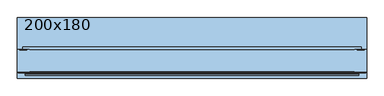
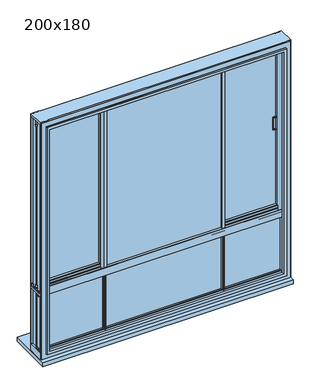
"""IFC4 building model written with IfcOpenShell, lengths in millimetres: window geometry, 200x180."""

from ifc_helpers import new_model, si_unit, frame, origin, place, context, project, spatial, polyline, outline, extrude, faceted_brep, source, transform, mapped, element, save


def window_200x180_f15a1003(model_context):
    return source(origin(), model_context, "Body", "SolidModel", [
        extrude(outline(polyline([(1871.5, 840.7), (1775.5, 840.7), (1775.5, 866.7), (1871.5, 866.7), (1871.5, 840.7)]), holes=[polyline([(1778.5, 863.7), (1778.5, 843.7), (1868.5, 843.7), (1868.5, 863.7), (1778.5, 863.7)])]), frame((0.0, -42.25, 0.0), z_axis=(0.0, 1.0, 0.0), x_axis=(0.0, 0.0, 1.0)), (0.0, 0.0, 1.0), 10.0),
        extrude(outline(polyline([(1871.5, -788.3), (1871.5, -814.3), (1775.5, -814.3), (1775.5, -788.3), (1871.5, -788.3)]), holes=[polyline([(1778.5, -811.3), (1868.5, -811.3), (1868.5, -791.3), (1778.5, -791.3), (1778.5, -811.3)])]), frame((0.0, -42.65, 0.0), z_axis=(0.0, 1.0, 0.0), x_axis=(0.0, 0.0, 1.0)), (0.0, 0.0, 1.0), 10.0),
        extrude(outline(polyline([(-396.8, -87.45), (-396.8, -96.25), (-399.8, -96.25), (-399.8, -87.45), (-408.3, -87.45), (-408.3, -81.05), (-388.3, -81.05), (-388.3, -87.45), (-396.8, -87.45)])), frame((0.0, 0.0, 729.0), z_axis=(0.0, 0.0, 1.0), x_axis=(1.0, 0.0, 0.0)), (0.0, 0.0, 1.0), 444.5),
        extrude(outline(polyline([(-408.3, -69.05), (-388.3, -69.05), (-388.3, -75.05), (-408.3, -75.05), (-408.3, -69.05)])), frame((0.0, 0.0, 729.0), z_axis=(0.0, 0.0, 1.0), x_axis=(1.0, 0.0, 0.0)), (0.0, 0.0, 1.0), 444.5),
        extrude(outline(polyline([(449.2, -87.45), (440.7, -87.45), (440.7, -81.05), (460.7, -81.05), (460.7, -87.45), (452.2, -87.45), (452.2, -96.25), (449.2, -96.25), (449.2, -87.45)])), frame((0.0, 0.0, 729.0), z_axis=(0.0, 0.0, 1.0), x_axis=(1.0, 0.0, 0.0)), (0.0, 0.0, 1.0), 444.5),
        extrude(outline(polyline([(460.7, -69.05), (460.7, -75.05), (440.7, -75.05), (440.7, -69.05), (460.7, -69.05)])), frame((0.0, 0.0, 729.0), z_axis=(0.0, 0.0, 1.0), x_axis=(1.0, 0.0, 0.0)), (0.0, 0.0, 1.0), 444.5),
        extrude(outline(polyline([(-823.7, -20.25), (-397.3, -20.25), (-397.3, -26.25), (-823.7, -26.25), (-823.7, -20.25)])), frame((0.0, 0.0, 1194.65), z_axis=(0.0, 0.0, 1.0), x_axis=(1.0, 0.0, 0.0)), (0.0, 0.0, 1.0), 1228.75),
        extrude(outline(polyline([(876.1, -20.25), (876.1, -26.25), (450.7, -26.25), (450.7, -20.25), (876.1, -20.25)])), frame((0.0, 0.0, 1194.65), z_axis=(0.0, 0.0, 1.0), x_axis=(1.0, 0.0, 0.0)), (0.0, 0.0, 1.0), 1228.75),
        extrude(outline(polyline([(450.7, -75.05), (450.7, -81.05), (-398.3, -81.05), (-398.3, -75.05), (450.7, -75.05)])), frame((0.0, 0.0, 1194.65), z_axis=(0.0, 0.0, 1.0), x_axis=(1.0, 0.0, 0.0)), (0.0, 0.0, 1.0), 1228.75),
        faceted_brep([(-389.3, -2.65, 1173.5), (-389.3, -43.85, 1173.5), (-391.3266098, -43.85, 1173.5), (-391.3266098, -53.95, 1173.5), (-400.6157826, -53.95, 1173.5), (-400.6157826, -51.5636227, 1173.5), (-396.4081362, -50.1440374, 1173.5), (-393.1031371, -50.1440374, 1173.5), (-393.1031371, -43.85, 1173.5), (-407.3, -43.85, 1173.5), (-407.3, -32.25, 1173.5), (-397.0748111, -32.25, 1173.5), (-397.0748111, -14.25, 1173.5), (-407.3, -14.25, 1173.5), (-407.3, -2.65, 1173.5), (-389.3, -2.65, 2443.9), (-407.3, -2.65, 2443.9), (-407.3, -12.6000001, 2443.9), (-844.2, -12.6000001, 2443.9), (-844.2, -33.8999999, 2443.9), (-407.3, -33.8999999, 2443.9), (-407.3, -43.85, 2443.9), (-393.1031371, -43.85, 2443.9), (-393.1031371, -50.1440374, 2443.9), (-396.4081362, -50.1440374, 2443.9), (-400.6157826, -51.5636227, 2443.9), (-400.6157826, -53.95, 2443.9), (-391.3266098, -53.95, 2443.9), (-391.3266098, -43.85, 2443.9), (-389.3, -43.85, 2443.9), (-397.0748111, -14.25, 2443.9), (-397.0748111, -32.25, 2443.9), (-398.3, -32.25, 2443.9), (-398.3, -14.25, 2443.9), (-407.3, -2.65, 1185.9300791), (-832.2, -2.65, 1185.9300791), (-832.2, -2.65, 2431.9), (-407.3, -2.65, 2431.9), (-814.3, -2.65, 2414.0), (-814.3, -2.65, 1203.8300791), (-407.3, -2.65, 1203.8300791), (-407.3, -2.65, 2414.0), (-407.3, -14.25, 1173.9300791), (-407.3, -12.6000001, 1173.9300791), (-407.3, -12.6000001, 1183.7300791), (-407.3, -6.95, 1183.7300791), (-407.3, -6.95, 1185.9300791), (-407.3, -6.95, 2431.9), (-407.3, -6.95, 2434.1), (-407.3, -12.6000001, 2434.1), (-407.3, -14.25, 1203.8300791), (-407.3, -14.25, 2414.0), (-398.3, -14.25, 2414.0), (-398.3, -14.25, 1203.8300791), (-398.3, -14.25, 1173.9300791), (-407.3, -32.25, 1173.9300791), (-398.3, -32.25, 1173.9300791), (-398.3, -32.25, 1203.8300791), (-407.3, -32.25, 1203.8300791), (-407.3, -32.25, 2414.0), (-398.3, -32.25, 2414.0), (-407.3, -43.85, 1185.9300791), (-407.3, -39.55, 1185.9300791), (-407.3, -39.55, 1183.7300791), (-407.3, -33.8999999, 1183.7300791), (-407.3, -33.8999999, 1173.9300791), (-407.3, -33.8999999, 2434.1), (-407.3, -39.55, 2434.1), (-407.3, -39.55, 2431.9), (-407.3, -43.85, 2431.9), (-407.3, -43.85, 1203.8300791), (-407.3, -43.85, 2414.0), (-398.3, -20.25, 1203.8300791), (-398.3, -20.25, 1194.4300791), (-398.3, -26.25, 1194.4300791), (-398.3, -26.25, 1203.8300791), (-814.3, -20.25, 1203.8300791), (-814.3, -20.25, 2414.0), (-398.3, -20.25, 2414.0), (-398.3, -20.25, 2423.4), (-823.7, -20.25, 2423.4), (-823.7, -20.25, 1194.4300791), (-823.7, -26.25, 1194.4300791), (-823.7, -26.25, 2423.4), (-398.3, -26.25, 2423.4), (-398.3, -26.25, 2414.0), (-814.3, -26.25, 2414.0), (-814.3, -26.25, 1203.8300791), (-814.3, -43.85, 1203.8300791), (-832.2, -43.85, 1185.9300791), (-832.2, -39.55, 1185.9300791), (-832.2, -39.55, 2431.9), (-834.4, -39.55, 2434.1), (-834.4, -39.55, 1183.7300791), (-834.4, -33.8999999, 1183.7300791), (-834.4, -33.8999999, 2434.1), (-844.2, -33.8999999, 1173.9300791), (-844.2, -12.6000001, 1173.9300791), (-834.4, -12.6000001, 2434.1), (-834.4, -12.6000001, 1183.7300791), (-834.4, -6.95, 1183.7300791), (-834.4, -6.95, 2434.1), (-832.2, -6.95, 2431.9), (-832.2, -6.95, 1185.9300791), (-814.3, -43.85, 2414.0), (-832.2, -43.85, 2431.9)], [[[0, 1, 2, 3, 4, 5, 6, 7, 8, 9, 10, 11, 12, 13, 14]], [[15, 16, 17, 18, 19, 20, 21, 22, 23, 24, 25, 26, 27, 28, 29], [30, 31, 32, 33]], [[0, 14, 34, 35, 36, 37, 16, 15], [38, 39, 40, 41]], [[14, 13, 42, 43, 44, 45, 46, 34]], [[17, 16, 37, 47, 48, 49]], [[41, 40, 50, 51]], [[13, 12, 30, 33, 52, 51, 50, 53, 54, 42]], [[12, 11, 31, 30]], [[11, 10, 55, 56, 57, 58, 59, 60, 32, 31]], [[10, 9, 61, 62, 63, 64, 65, 55]], [[21, 20, 66, 67, 68, 69]], [[59, 58, 70, 71]], [[2, 1, 29, 28]], [[72, 73, 74, 75, 57, 56, 54, 53]], [[39, 76, 72, 53, 50, 40]], [[73, 72, 76, 77, 78, 79, 80, 81]], [[74, 73, 81, 82]], [[75, 74, 82, 83, 84, 85, 86, 87]], [[75, 87, 88, 70, 58, 57]], [[89, 90, 62, 61]], [[90, 91, 68, 67, 92, 93, 63, 62]], [[93, 94, 64, 63]], [[94, 95, 66, 20, 19, 96, 65, 64]], [[96, 97, 43, 42, 54, 56, 55, 65]], [[97, 18, 17, 49, 98, 99, 44, 43]], [[99, 100, 45, 44]], [[100, 101, 48, 47, 102, 103, 46, 45]], [[103, 35, 34, 46]], [[39, 38, 77, 76]], [[81, 80, 83, 82]], [[87, 86, 104, 88]], [[89, 105, 91, 90]], [[93, 92, 95, 94]], [[96, 19, 18, 97]], [[99, 98, 101, 100]], [[36, 35, 103, 102]], [[79, 78, 52, 33, 32, 60, 85, 84]], [[78, 77, 38, 41, 51, 52]], [[80, 79, 84, 83]], [[86, 85, 60, 59, 71, 104]], [[91, 105, 69, 68]], [[95, 92, 67, 66]], [[101, 98, 49, 48]], [[36, 102, 47, 37]], [[1, 0, 15, 29]], [[3, 2, 28, 27]], [[4, 3, 27, 26]], [[5, 4, 26, 25]], [[6, 5, 25, 24]], [[7, 6, 24, 23]], [[8, 7, 23, 22]], [[9, 8, 22, 21, 69, 105, 89, 61], [88, 104, 71, 70]]]),
        faceted_brep([(-407.3, -98.65, 1173.5), (-407.3, -57.45, 1173.5), (-405.3582616, -57.45, 1173.5), (-405.3582616, -47.35, 1173.5), (-395.9842174, -47.35, 1173.5), (-395.9842174, -49.7071538, 1173.5), (-400.1918638, -51.1559626, 1173.5), (-403.5817343, -51.1559626, 1173.5), (-403.5817343, -57.45, 1173.5), (-389.3, -57.45, 1173.5), (-389.3, -69.05, 1173.5), (-399.6733902, -69.05, 1173.5), (-399.6733902, -87.05, 1173.5), (-389.3, -87.05, 1173.5), (-389.3, -98.65, 1173.5), (-407.3, -98.65, 2443.9), (-389.3, -98.65, 2443.9), (-389.3, -87.05, 2443.9), (-399.6733902, -87.05, 2443.9), (-399.6733902, -69.05, 2443.9), (-389.3, -69.05, 2443.9), (-389.3, -57.45, 2443.9), (-403.5817343, -57.45, 2443.9), (-403.5817343, -51.1559626, 2443.9), (-400.1918638, -51.1559626, 2443.9), (-395.9842174, -49.7071538, 2443.9), (-395.9842174, -47.35, 2443.9), (-405.3582616, -47.35, 2443.9), (-405.3582616, -57.45, 2443.9), (-407.3, -57.45, 2443.9)], [[[0, 1, 2, 3, 4, 5, 6, 7, 8, 9, 10, 11, 12, 13, 14]], [[15, 16, 17, 18, 19, 20, 21, 22, 23, 24, 25, 26, 27, 28, 29]], [[0, 14, 16, 15]], [[14, 13, 17, 16]], [[13, 12, 18, 17]], [[12, 11, 19, 18]], [[11, 10, 20, 19]], [[8, 7, 23, 22]], [[7, 6, 24, 23]], [[6, 5, 25, 24]], [[5, 4, 26, 25]], [[4, 3, 27, 26]], [[3, 2, 28, 27]], [[2, 1, 29, 28]], [[1, 0, 15, 29]], [[9, 8, 22, 21]], [[10, 9, 21, 20]]]),
        faceted_brep([(441.7, -2.65, 1173.5), (459.7, -2.65, 1173.5), (459.7, -14.25, 1173.5), (449.4748111, -14.25, 1173.5), (449.4748111, -32.25, 1173.5), (459.7, -32.25, 1173.5), (459.7, -43.85, 1173.5), (445.5031371, -43.85, 1173.5), (445.5031371, -50.1440374, 1173.5), (448.8081362, -50.1440374, 1173.5), (453.0157826, -51.5636227, 1173.5), (453.0157826, -53.95, 1173.5), (443.7266098, -53.95, 1173.5), (443.7266098, -43.85, 1173.5), (441.7, -43.85, 1173.5), (441.7, -2.65, 2443.9), (441.7, -43.85, 2443.9), (443.7266098, -43.85, 2443.9), (443.7266098, -53.95, 2443.9), (453.0157826, -53.95, 2443.9), (453.0157826, -51.5636227, 2443.9), (448.8081362, -50.1440374, 2443.9), (445.5031371, -50.1440374, 2443.9), (445.5031371, -43.85, 2443.9), (459.7, -43.85, 2443.9), (459.7, -33.8999999, 2443.9), (896.6, -33.8999999, 2443.9), (896.6, -12.6000001, 2443.9), (459.7, -12.6000001, 2443.9), (459.7, -2.65, 2443.9), (449.4748111, -14.25, 2443.9), (450.7, -14.25, 2443.9), (450.7, -32.25, 2443.9), (449.4748111, -32.25, 2443.9), (450.7, -26.25, 1203.8300791), (450.7, -26.25, 1194.4300791), (450.7, -20.25, 1194.4300791), (450.7, -20.25, 1203.8300791), (450.7, -14.25, 1203.8300791), (450.7, -14.25, 1173.9300791), (450.7, -32.25, 1173.9300791), (450.7, -32.25, 1203.8300791), (450.7, -20.25, 2414.0), (450.7, -20.25, 2423.4), (450.7, -26.25, 2423.4), (450.7, -26.25, 2414.0), (450.7, -32.25, 2414.0), (450.7, -14.25, 2414.0), (866.7, -43.85, 1203.8300791), (866.7, -26.25, 1203.8300791), (459.7, -32.25, 1203.8300791), (459.7, -43.85, 1203.8300791), (866.7, -26.25, 2414.0), (876.1, -26.25, 2423.4), (876.1, -26.25, 1194.4300791), (876.1, -20.25, 1194.4300791), (876.1, -20.25, 2423.4), (866.7, -20.25, 2414.0), (866.7, -20.25, 1203.8300791), (866.7, -2.65, 1203.8300791), (459.7, -2.65, 1203.8300791), (459.7, -14.25, 1203.8300791), (884.6, -2.65, 1185.9300791), (884.6, -6.95, 1185.9300791), (459.7, -6.95, 1185.9300791), (459.7, -2.65, 1185.9300791), (884.6, -6.95, 2431.9), (459.7, -6.95, 2431.9), (459.7, -6.95, 2434.1), (886.8, -6.95, 2434.1), (886.8, -6.95, 1183.7300791), (459.7, -6.95, 1183.7300791), (886.8, -12.6000001, 1183.7300791), (459.7, -12.6000001, 1183.7300791), (886.8, -12.6000001, 2434.1), (459.7, -12.6000001, 2434.1), (896.6, -12.6000001, 1173.9300791), (459.7, -12.6000001, 1173.9300791), (896.6, -33.8999999, 1173.9300791), (459.7, -33.8999999, 1173.9300791), (459.7, -32.25, 1173.9300791), (459.7, -14.25, 1173.9300791), (459.7, -33.8999999, 2434.1), (886.8, -33.8999999, 2434.1), (886.8, -33.8999999, 1183.7300791), (459.7, -33.8999999, 1183.7300791), (886.8, -39.55, 1183.7300791), (459.7, -39.55, 1183.7300791), (886.8, -39.55, 2434.1), (459.7, -39.55, 2434.1), (459.7, -39.55, 2431.9), (884.6, -39.55, 2431.9), (884.6, -39.55, 1185.9300791), (459.7, -39.55, 1185.9300791), (884.6, -43.85, 1185.9300791), (459.7, -43.85, 1185.9300791), (866.7, -43.85, 2414.0), (866.7, -2.65, 2414.0), (884.6, -2.65, 2431.9), (884.6, -43.85, 2431.9), (459.7, -43.85, 2414.0), (459.7, -32.25, 2414.0), (459.7, -14.25, 2414.0), (459.7, -2.65, 2414.0), (459.7, -2.65, 2431.9), (459.7, -43.85, 2431.9)], [[[0, 1, 2, 3, 4, 5, 6, 7, 8, 9, 10, 11, 12, 13, 14]], [[15, 16, 17, 18, 19, 20, 21, 22, 23, 24, 25, 26, 27, 28, 29], [30, 31, 32, 33]], [[34, 35, 36, 37, 38, 39, 40, 41]], [[42, 43, 44, 45, 46, 32, 31, 47]], [[48, 49, 34, 41, 50, 51]], [[35, 34, 49, 52, 45, 44, 53, 54]], [[36, 35, 54, 55]], [[37, 36, 55, 56, 43, 42, 57, 58]], [[37, 58, 59, 60, 61, 38]], [[62, 63, 64, 65]], [[63, 66, 67, 68, 69, 70, 71, 64]], [[70, 72, 73, 71]], [[72, 74, 75, 28, 27, 76, 77, 73]], [[76, 78, 79, 80, 40, 39, 81, 77]], [[78, 26, 25, 82, 83, 84, 85, 79]], [[84, 86, 87, 85]], [[86, 88, 89, 90, 91, 92, 93, 87]], [[92, 94, 95, 93]], [[48, 96, 52, 49]], [[54, 53, 56, 55]], [[58, 57, 97, 59]], [[62, 98, 66, 63]], [[70, 69, 74, 72]], [[76, 27, 26, 78]], [[84, 83, 88, 86]], [[99, 94, 92, 91]], [[45, 52, 96, 100, 101, 46]], [[44, 43, 56, 53]], [[57, 42, 47, 102, 103, 97]], [[66, 98, 104, 67]], [[74, 69, 68, 75]], [[88, 83, 82, 89]], [[99, 91, 90, 105]], [[1, 0, 15, 29, 104, 98, 62, 65], [103, 60, 59, 97]], [[2, 1, 65, 64, 71, 73, 77, 81]], [[29, 28, 75, 68, 67, 104]], [[60, 103, 102, 61]], [[3, 2, 81, 39, 38, 61, 102, 47, 31, 30]], [[4, 3, 30, 33]], [[5, 4, 33, 32, 46, 101, 50, 41, 40, 80]], [[6, 5, 80, 79, 85, 87, 93, 95]], [[25, 24, 105, 90, 89, 82]], [[50, 101, 100, 51]], [[7, 6, 95, 94, 99, 105, 24, 23], [51, 100, 96, 48]], [[8, 7, 23, 22]], [[9, 8, 22, 21]], [[10, 9, 21, 20]], [[11, 10, 20, 19]], [[12, 11, 19, 18]], [[13, 12, 18, 17]], [[14, 13, 17, 16]], [[0, 14, 16, 15]]]),
        faceted_brep([(459.7, -98.65, 1173.5), (441.7, -98.65, 1173.5), (441.7, -87.05, 1173.5), (452.0733902, -87.05, 1173.5), (452.0733902, -69.05, 1173.5), (441.7, -69.05, 1173.5), (441.7, -57.45, 1173.5), (455.9817343, -57.45, 1173.5), (455.9817343, -51.1559626, 1173.5), (452.5918638, -51.1559626, 1173.5), (448.3842174, -49.7071538, 1173.5), (448.3842174, -47.35, 1173.5), (457.7582616, -47.35, 1173.5), (457.7582616, -57.45, 1173.5), (459.7, -57.45, 1173.5), (459.7, -98.65, 2443.9), (459.7, -57.45, 2443.9), (457.7582616, -57.45, 2443.9), (457.7582616, -47.35, 2443.9), (448.3842174, -47.35, 2443.9), (448.3842174, -49.7071538, 2443.9), (452.5918638, -51.1559626, 2443.9), (455.9817343, -51.1559626, 2443.9), (455.9817343, -57.45, 2443.9), (441.7, -57.45, 2443.9), (441.7, -69.05, 2443.9), (452.0733902, -69.05, 2443.9), (452.0733902, -87.05, 2443.9), (441.7, -87.05, 2443.9), (441.7, -98.65, 2443.9)], [[[0, 1, 2, 3, 4, 5, 6, 7, 8, 9, 10, 11, 12, 13, 14]], [[15, 16, 17, 18, 19, 20, 21, 22, 23, 24, 25, 26, 27, 28, 29]], [[1, 0, 15, 29]], [[2, 1, 29, 28]], [[3, 2, 28, 27]], [[4, 3, 27, 26]], [[5, 4, 26, 25]], [[6, 5, 25, 24]], [[7, 6, 24, 23]], [[8, 7, 23, 22]], [[9, 8, 22, 21]], [[10, 9, 21, 20]], [[11, 10, 20, 19]], [[12, 11, 19, 18]], [[13, 12, 18, 17]], [[14, 13, 17, 16]], [[0, 14, 16, 15]]]),
        extrude(outline(polyline([(19.55, 2456.5), (19.55, 2437.5), (17.55, 2437.5), (17.55, 2455.0), (4.95, 2455.0), (4.95, 2456.5), (19.55, 2456.5)])), frame((-846.45, 0.0, 0.0), z_axis=(1.0, 0.0, 0.0), x_axis=(0.0, 1.0, 0.0)), (0.0, 0.0, 1.0), 1745.3),
        extrude(outline(polyline([(19.55, 1160.0), (18.35, 1160.0), (18.35, 1181.2), (4.95, 1181.2), (4.95, 1185.7), (13.95, 1185.7), (13.95, 1188.1), (17.55, 1188.1), (17.55, 1197.7), (19.55, 1197.7), (19.55, 1186.6), (16.05, 1186.6), (16.65, 1186.0), (19.55, 1186.0), (19.55, 1160.0)])), frame((-846.45, 0.0, 0.0), z_axis=(1.0, 0.0, 0.0), x_axis=(0.0, 1.0, 0.0)), (0.0, 0.0, 1.0), 1745.3),
        extrude(outline(polyline([(-57.45, 2431.9), (-57.45, 2414.0), (-75.05, 2414.0), (-75.05, 2423.4), (-81.05, 2423.4), (-81.05, 2414.0), (-98.65, 2414.0), (-98.65, 2431.9), (-94.35, 2431.9), (-94.35, 2434.1), (-88.6999999, 2434.1), (-88.6999999, 2443.9), (-67.4000001, 2443.9), (-67.4000001, 2434.1), (-61.75, 2434.1), (-61.75, 2431.9), (-57.45, 2431.9)])), frame((-398.3, 0.0, 0.0), z_axis=(1.0, 0.0, 0.0), x_axis=(0.0, 1.0, 0.0)), (0.0, 0.0, 1.0), 849.0),
        extrude(outline(polyline([(-57.45, 1186.15), (-61.75, 1186.15), (-61.75, 1183.95), (-67.4000001, 1183.95), (-67.4000001, 1174.15), (-88.6999999, 1174.15), (-88.6999999, 1183.95), (-94.35, 1183.95), (-94.35, 1186.15), (-98.65, 1186.15), (-98.65, 1204.05), (-81.05, 1204.05), (-81.05, 1194.65), (-75.05, 1194.65), (-75.05, 1204.05), (-57.45, 1204.05), (-57.45, 1186.15)])), frame((-398.3, 0.0, 0.0), z_axis=(1.0, 0.0, 0.0), x_axis=(0.0, 1.0, 0.0)), (0.0, 0.0, 1.0), 849.0),
        extrude(outline(polyline([(926.2, 173.75), (926.2, -143.25), (-873.8, -143.25), (-873.8, 173.75), (926.2, 173.75)])), frame((0.0, 0.0, 643.5), z_axis=(0.0, 0.0, 1.0), x_axis=(1.0, 0.0, 0.0)), (0.0, 0.0, 1.0), 30.0),
        faceted_brep([(865.85, -106.25, 729.0), (865.85, -126.4, 729.0), (865.85, -126.4, 2412.0), (865.85, -106.25, 2412.0), (916.5502862, -110.5, 678.2997138), (916.5502862, -106.25, 678.2997138), (916.5502862, -106.25, 2462.7002862), (916.5502862, -110.5, 2462.7002862), (921.35, -114.1, 673.5), (921.35, -110.5, 673.5), (921.35, -110.5, 2467.5), (921.35, -114.1, 2467.5), (886.35, -117.0431112, 708.5), (886.35, -114.1, 708.5), (886.35, -114.1, 2432.5), (886.35, -117.0431112, 2432.5), (886.95, -117.9, 707.9), (886.95, -117.9, 2433.1), (886.95, -126.4, 707.9), (886.95, -126.4, 2433.1), (-813.45, -126.4, 2412.0), (-813.45, -106.25, 2412.0), (-864.1502862, -106.25, 2462.7002862), (-864.1502862, -110.5, 2462.7002862), (-868.95, -110.5, 2467.5), (-868.95, -114.1, 2467.5), (-833.95, -114.1, 2432.5), (-833.95, -117.0431112, 2432.5), (-834.55, -117.9, 2433.1), (-834.55, -126.4, 2433.1), (-813.45, -126.4, 729.0), (-813.45, -106.25, 729.0), (-864.1502862, -106.25, 678.2997138), (-864.1502862, -110.5, 678.2997138), (-868.95, -110.5, 673.5), (-868.95, -114.1, 673.5), (-833.95, -114.1, 708.5), (-833.95, -117.0431112, 708.5), (-834.55, -117.9, 707.9), (-834.55, -126.4, 707.9)], [[[0, 1, 2, 3]], [[4, 5, 6, 7]], [[8, 9, 10, 11]], [[12, 13, 14, 15]], [[16, 12, 15, 17]], [[18, 16, 17, 19]], [[3, 2, 20, 21]], [[7, 6, 22, 23]], [[11, 10, 24, 25]], [[15, 14, 26, 27]], [[17, 15, 27, 28]], [[19, 17, 28, 29]], [[21, 20, 30, 31]], [[23, 22, 32, 33]], [[25, 24, 34, 35]], [[27, 26, 36, 37]], [[28, 27, 37, 38]], [[29, 28, 38, 39]], [[19, 29, 39, 18], [1, 30, 20, 2]], [[31, 30, 1, 0]], [[5, 32, 22, 6], [3, 21, 31, 0]], [[33, 32, 5, 4]], [[9, 34, 24, 10], [7, 23, 33, 4]], [[35, 34, 9, 8]], [[11, 25, 35, 8], [13, 36, 26, 14]], [[37, 36, 13, 12]], [[38, 37, 12, 16]], [[39, 38, 16, 18]]]),
        faceted_brep([(926.2, 6.8, 2473.5), (926.2, -108.1, 2473.5), (926.2, -108.1, 673.5), (926.2, -29.65, 673.5), (926.2, -29.65, 677.75), (926.2, 0.5850342, 677.75), (926.2, 0.5850342, 673.5), (926.2, 6.8, 673.5), (926.2, -61.7500001, 1150.55), (926.2, 0.5850342, 1150.55), (926.2, 0.5850342, 728.8026988), (926.2, -61.75, 728.8026988), (926.2, -61.75, 738.4026988), (926.2, -75.05, 738.4026988), (926.2, -75.05, 729.8026988), (926.2, -81.05, 729.8026988), (926.2, -81.05, 738.4026988), (926.2, -90.05, 738.4026988), (926.2, -90.05, 728.8026988), (926.2, -101.8850342, 728.8026988), (926.2, -101.8850342, 1150.55), (926.2, -90.0500001, 1150.55), (926.2, -90.0500001, 1140.95), (926.2, -81.0500001, 1140.95), (926.2, -81.0500001, 1149.55), (926.2, -75.0500001, 1149.55), (926.2, -75.0500001, 1140.95), (926.2, -61.7500001, 1140.95), (926.2, -49.9, 2455.0), (926.2, 0.5850342, 2455.0), (926.2, 0.5850342, 1188.85), (926.2, -0.0941191, 1188.85), (926.2, -1.55, 1184.85), (926.2, -4.3, 1184.85), (926.2, -4.3, 1169.65), (926.2, -21.0, 1169.65), (926.2, -21.0, 1173.6231379), (926.2, -25.5, 1173.6231379), (926.2, -25.5, 1169.65), (926.2, -42.2, 1169.65), (926.2, -42.2, 1184.85), (926.2, -44.9, 1184.85), (926.2, -46.355881, 1188.85), (926.2, -47.3500001, 1188.85), (926.2, -47.3500001, 1206.05), (926.2, -53.9500001, 1206.05), (926.2, -53.9500001, 1188.85), (926.2, -54.9441191, 1188.85), (926.2, -56.4000001, 1184.85), (926.2, -59.1000001, 1184.85), (926.2, -59.1000001, 1169.65), (926.2, -75.8, 1169.65), (926.2, -75.8, 1173.6231379), (926.2, -80.3, 1173.6231379), (926.2, -80.3, 1169.65), (926.2, -97.0, 1169.65), (926.2, -97.0, 1184.85), (926.2, -99.75, 1184.85), (926.2, -101.205881, 1188.85), (926.2, -101.8850342, 1188.85), (926.2, -101.8850342, 2455.0), (926.2, -51.4, 2455.0), (926.2, -51.4, 2424.7), (926.2, -53.95, 2424.7), (926.2, -53.95, 2412.0), (926.2, -47.35, 2412.0), (926.2, -47.35, 2424.7), (926.2, -49.9, 2424.7), (915.15, -21.0, 1173.5), (915.15, -25.5, 1173.5), (-873.8, -21.0, 1173.5), (-873.8, -25.5, 1173.5), (-862.75, -25.5, 1173.5), (-862.75, -21.0, 1173.5), (877.05, -21.0, 1173.5), (877.05, -4.3, 1173.5), (865.85, -4.3, 1173.5), (865.85, -21.0, 1173.5), (-813.45, -21.0, 1173.5), (-813.45, -4.3, 1173.5), (-824.65, -4.3, 1173.5), (-824.65, -21.0, 1173.5), (-860.95, -21.0, 1173.5), (-860.95, -22.7303848, 1173.5), (-860.95, -25.5, 1173.5), (-824.65, -25.5, 1173.5), (-824.65, -42.2, 1173.5), (-813.45, -42.2, 1173.5), (-813.45, -25.5, 1173.5), (865.85, -25.5, 1173.5), (865.85, -42.2, 1173.5), (877.05, -42.2, 1173.5), (877.05, -25.5, 1173.5), (913.35, -25.5, 1173.5), (913.35, -22.7303848, 1173.5), (913.35, -21.0, 1173.5), (915.15, -21.0, 1169.65), (865.85, -21.0, 1169.65), (-813.45, -21.0, 1169.65), (-873.8, -21.0, 1169.65), (-862.75, -21.0, 1169.65), (-824.65, -21.0, 1169.65), (-860.95, -21.0, 1169.65), (913.35, -21.0, 1169.65), (877.05, -21.0, 1169.65), (915.15, -29.65, 673.5), (915.15, 0.5850342, 673.5), (915.15, 0.5850342, 677.75), (915.15, -29.65, 677.75), (915.15, -49.9, 1150.55), (915.15, -49.9, 728.8026988), (915.15, 0.5850342, 728.8026988), (915.15, 0.5850342, 1150.55), (915.15, -49.9, 2455.0), (915.15, -49.9, 2424.7), (915.15, -47.35, 2424.7), (915.15, -47.35, 2412.0), (915.15, -49.9, 2412.0), (915.15, -49.9, 1206.05), (915.15, -47.3500001, 1206.05), (915.15, -47.3500001, 1188.85), (915.15, -46.355881, 1188.85), (915.15, -44.9, 1184.85), (915.15, -42.2, 1184.85), (915.15, -42.2, 1169.65), (915.15, -25.5, 1169.65), (915.15, -4.3, 1169.65), (915.15, -4.3, 1184.85), (915.15, -1.55, 1184.85), (915.15, -0.0941191, 1188.85), (915.15, 0.5850342, 1188.85), (915.15, 0.5850342, 2455.0), (-860.95, -25.5, 1169.65), (-824.65, -25.5, 1169.65), (-813.45, -25.5, 1169.65), (865.85, -25.5, 1169.65), (877.05, -25.5, 1169.65), (913.35, -25.5, 1169.65), (-873.8, -25.5, 1169.65), (-862.75, -25.5, 1169.65), (-873.8, 6.8, 673.5), (-873.8, 0.5850342, 673.5), (-873.8, 0.5850342, 677.75), (-873.8, -29.65, 677.75), (-873.8, -29.65, 673.5), (-873.8, -108.1, 673.5), (-873.8, -108.1, 2473.5), (-873.8, 6.8, 2473.5), (-873.8, -90.0500001, 1150.55), (-873.8, -101.8850342, 1150.55), (-873.8, -101.8850342, 728.8026988), (-873.8, -90.05, 728.8026988), (-873.8, -90.05, 738.4026988), (-873.8, -81.05, 738.4026988), (-873.8, -81.05, 729.8026988), (-873.8, -75.05, 729.8026988), (-873.8, -75.05, 738.4026988), (-873.8, -61.75, 738.4026988), (-873.8, -61.75, 728.8026988), (-873.8, 0.5850342, 728.8026988), (-873.8, 0.5850342, 1150.55), (-873.8, -61.7500001, 1150.55), (-873.8, -61.7500001, 1140.95), (-873.8, -75.0500001, 1140.95), (-873.8, -75.0500001, 1149.55), (-873.8, -81.0500001, 1149.55), (-873.8, -81.0500001, 1140.95), (-873.8, -90.0500001, 1140.95), (-873.8, -51.4, 2455.0), (-873.8, -101.8850342, 2455.0), (-873.8, -101.8850342, 1188.85), (-873.8, -101.205881, 1188.85), (-873.8, -99.75, 1184.85), (-873.8, -97.0, 1184.85), (-873.8, -97.0, 1169.65), (-873.8, -80.3, 1169.65), (-873.8, -80.3, 1173.6231379), (-873.8, -75.8, 1173.6231379), (-873.8, -75.8, 1169.65), (-873.8, -59.1000001, 1169.65), (-873.8, -59.1000001, 1184.85), (-873.8, -56.4000001, 1184.85), (-873.8, -54.9441191, 1188.85), (-873.8, -53.9500001, 1188.85), (-873.8, -53.9500001, 1206.05), (-873.8, -47.3500001, 1206.05), (-873.8, -47.3500001, 1188.85), (-873.8, -46.355881, 1188.85), (-873.8, -44.9, 1184.85), (-873.8, -42.2, 1184.85), (-873.8, -42.2, 1169.65), (-873.8, -4.3, 1169.65), (-873.8, -4.3, 1184.85), (-873.8, -1.55, 1184.85), (-873.8, -0.0941191, 1188.85), (-873.8, 0.5850342, 1188.85), (-873.8, 0.5850342, 2455.0), (-873.8, -49.9, 2455.0), (-873.8, -49.9, 2424.7), (-873.8, -47.35, 2424.7), (-873.8, -47.35, 2412.0), (-873.8, -53.95, 2412.0), (-873.8, -53.95, 2424.7), (-873.8, -51.4, 2424.7), (-862.75, 0.5850342, 673.5), (-862.75, -29.65, 673.5), (-862.75, -29.65, 677.75), (-862.75, 0.5850342, 677.75), (-862.75, 0.5850342, 2455.0), (-862.75, 0.5850342, 1188.85), (-862.75, -0.0941191, 1188.85), (-862.75, -1.55, 1184.85), (-862.75, -4.3, 1184.85), (-862.75, -4.3, 1169.65), (-862.75, -42.2, 1169.65), (-862.75, -42.2, 1184.85), (-862.75, -44.9, 1184.85), (-862.75, -46.355881, 1188.85), (-862.75, -47.3500001, 1188.85), (-862.75, -47.3500001, 1206.05), (-862.75, -49.9, 1206.05), (-862.75, -49.9, 2412.0), (-862.75, -47.35, 2412.0), (-862.75, -47.35, 2424.7), (-862.75, -49.9, 2424.7), (-862.75, -49.9, 2455.0), (-862.75, 0.5850342, 1150.55), (-862.75, 0.5850342, 728.8026988), (-862.75, -49.9, 728.8026988), (-862.75, -49.9, 1150.55), (877.05, -4.3, 1169.65), (877.05, -42.2, 1169.65), (877.05, 5.3, 673.5), (877.05, 5.3, 2473.5), (877.05, 4.95, 2473.5), (877.05, 4.95, 2412.0), (877.05, 0.85, 2412.0), (877.05, 0.85, 1206.05), (877.05, 4.95, 1206.05), (877.05, 4.95, 1150.55), (877.05, -49.9, 1150.55), (877.05, -49.9, 728.8026988), (877.05, 4.95, 728.8026988), (877.05, 4.95, 677.75), (877.05, -29.65, 677.75), (877.05, -29.65, 673.5), (877.05, -49.9, 2412.0), (877.05, -49.9, 1206.05), (877.05, -47.35, 1206.05), (877.05, -47.35, 2412.0), (877.05, -49.9, 2455.0), (877.05, -49.9, 2424.7), (877.05, -47.35, 2424.7), (877.05, -47.35, 2455.0), (877.05, 0.85, 2455.0), (877.05, 0.85, 2426.5), (877.05, 3.45, 2426.5), (877.05, 3.45, 2455.0), (913.35, -4.3, 1184.85), (-860.95, -4.3, 1184.85), (-860.95, -4.3, 1169.65), (-824.65, -4.3, 1169.65), (-813.45, -4.3, 1169.65), (865.85, -4.3, 1169.65), (913.35, -4.3, 1169.65), (865.85, -42.2, 1169.65), (865.85, -108.1, 673.5), (865.85, -108.1, 2473.5), (865.85, -106.25, 2473.5), (865.85, -106.25, 2412.0), (865.85, -102.15, 2412.0), (865.85, -102.15, 2426.5), (865.85, -104.75, 2426.5), (865.85, -104.75, 2455.0), (865.85, -51.4, 2455.0), (865.85, -51.4, 2424.7), (865.85, -53.95, 2424.7), (865.85, -53.95, 2412.0), (865.85, -47.35, 2412.0), (865.85, -47.35, 1206.05), (865.85, -53.9500001, 1206.05), (865.85, -53.9500001, 1188.85), (865.85, -54.9441191, 1188.85), (865.85, -56.4000001, 1184.85), (865.85, -59.1000001, 1184.85), (865.85, -59.1000001, 1169.65), (865.85, -75.8, 1169.65), (865.85, -75.8, 1173.6231379), (865.85, -80.3, 1173.6231379), (865.85, -80.3, 1169.65), (865.85, -97.0, 1169.65), (865.85, -97.0, 1184.85), (865.85, -99.75, 1184.85), (865.85, -101.205881, 1188.85), (865.85, -104.75, 1188.85), (865.85, -104.75, 1194.85), (865.85, -102.15, 1194.85), (865.85, -102.15, 1206.05), (865.85, -106.25, 1206.05), (865.85, -106.25, 1150.55), (865.85, -90.0500001, 1150.55), (865.85, -90.0500001, 1140.95), (865.85, -81.0500001, 1140.95), (865.85, -81.0500001, 1149.55), (865.85, -75.0500001, 1149.55), (865.85, -75.0500001, 1140.95), (865.85, -61.7500001, 1140.95), (865.85, -61.7500001, 1150.55), (865.85, 4.95, 1150.55), (865.85, 4.95, 1206.05), (865.85, 0.85, 1206.05), (865.85, 0.85, 2412.0), (865.85, 4.95, 2412.0), (865.85, 4.95, 2473.5), (865.85, 6.8, 2473.5), (865.85, 6.8, 673.5), (865.85, -29.65, 673.5), (865.85, -29.65, 677.75), (865.85, 4.95, 677.75), (865.85, 4.95, 728.8026988), (865.85, -61.75, 728.8026988), (865.85, -61.75, 738.4026988), (865.85, -75.05, 738.4026988), (865.85, -75.05, 729.8026988), (865.85, -81.05, 729.8026988), (865.85, -81.05, 738.4026988), (865.85, -90.05, 738.4026988), (865.85, -90.05, 728.8026988), (865.85, -106.25, 728.8026988), (865.85, -106.25, 673.5), (865.85, 0.85, 2426.5), (865.85, 0.85, 2455.0), (865.85, 3.45, 2455.0), (865.85, 3.45, 2426.5), (865.85, -47.35, 2455.0), (865.85, -47.35, 2424.7), (865.85, -49.9, 2424.7), (865.85, -49.9, 2455.0), (-813.45, -42.2, 1169.65), (-813.45, 6.8, 673.5), (-813.45, 6.8, 2473.5), (-813.45, 4.95, 2473.5), (-813.45, 4.95, 2412.0), (-813.45, 0.85, 2412.0), (-813.45, 0.85, 1206.05), (-813.45, 4.95, 1206.05), (-813.45, 4.95, 1150.55), (-813.45, -61.7500001, 1150.55), (-813.45, -61.7500001, 1140.95), (-813.45, -75.0500001, 1140.95), (-813.45, -75.0500001, 1149.55), (-813.45, -81.0500001, 1149.55), (-813.45, -81.0500001, 1140.95), (-813.45, -90.0500001, 1140.95), (-813.45, -90.0500001, 1150.55), (-813.45, -106.25, 1150.55), (-813.45, -106.25, 1206.05), (-813.45, -102.15, 1206.05), (-813.45, -102.15, 1194.85), (-813.45, -104.75, 1194.85), (-813.45, -104.75, 1188.85), (-813.45, -101.205881, 1188.85), (-813.45, -99.75, 1184.85), (-813.45, -97.0, 1184.85), (-813.45, -97.0, 1169.65), (-813.45, -80.3, 1169.65), (-813.45, -80.3, 1173.6231379), (-813.45, -75.8, 1173.6231379), (-813.45, -75.8, 1169.65), (-813.45, -59.1000001, 1169.65), (-813.45, -59.1000001, 1184.85), (-813.45, -56.4000001, 1184.85), (-813.45, -54.9441191, 1188.85), (-813.45, -53.9500001, 1188.85), (-813.45, -53.9500001, 1206.05), (-813.45, -47.35, 1206.05), (-813.45, -47.35, 2412.0), (-813.45, -53.95, 2412.0), (-813.45, -53.95, 2424.7), (-813.45, -51.4, 2424.7), (-813.45, -51.4, 2455.0), (-813.45, -104.75, 2455.0), (-813.45, -104.75, 2426.5), (-813.45, -102.15, 2426.5), (-813.45, -102.15, 2412.0), (-813.45, -106.25, 2412.0), (-813.45, -106.25, 2473.5), (-813.45, -108.1, 2473.5), (-813.45, -108.1, 673.5), (-813.45, -106.25, 673.5), (-813.45, -106.25, 728.8026988), (-813.45, -90.05, 728.8026988), (-813.45, -90.05, 738.4026988), (-813.45, -81.05, 738.4026988), (-813.45, -81.05, 729.8026988), (-813.45, -75.05, 729.8026988), (-813.45, -75.05, 738.4026988), (-813.45, -61.75, 738.4026988), (-813.45, -61.75, 728.8026988), (-813.45, 4.95, 728.8026988), (-813.45, 4.95, 677.75), (-813.45, -29.65, 677.75), (-813.45, -29.65, 673.5), (-813.45, 0.85, 2455.0), (-813.45, 0.85, 2426.5), (-813.45, 3.45, 2426.5), (-813.45, 3.45, 2455.0), (-813.45, -47.35, 2424.7), (-813.45, -47.35, 2455.0), (-813.45, -49.9, 2455.0), (-813.45, -49.9, 2424.7), (-824.65, -42.2, 1169.65), (-824.65, 5.3, 2473.5), (-824.65, 5.3, 673.5), (-824.65, -29.65, 673.5), (-824.65, -29.65, 677.75), (-824.65, 4.95, 677.75), (-824.65, 4.95, 728.8026988), (-824.65, -49.9, 728.8026988), (-824.65, -49.9, 1150.55), (-824.65, 4.95, 1150.55), (-824.65, 4.95, 1206.05), (-824.65, 0.85, 1206.05), (-824.65, 0.85, 2412.0), (-824.65, 4.95, 2412.0), (-824.65, 4.95, 2473.5), (-824.65, -47.35, 2412.0), (-824.65, -47.35, 1206.05), (-824.65, -49.9, 1206.05), (-824.65, -49.9, 2412.0), (-824.65, 0.85, 2426.5), (-824.65, 0.85, 2455.0), (-824.65, 3.45, 2455.0), (-824.65, 3.45, 2426.5), (-824.65, -47.35, 2455.0), (-824.65, -47.35, 2424.7), (-824.65, -49.9, 2424.7), (-824.65, -49.9, 2455.0), (-860.95, -22.7303848, 673.5), (-860.95, 5.3, 673.5), (-860.95, 5.3, 2473.5), (-860.95, 4.95, 2473.5), (-860.95, 4.95, 2412.0), (-860.95, 0.85, 2412.0), (-860.95, 0.85, 2426.5), (-860.95, 3.45, 2426.5), (-860.95, 3.45, 2455.0), (-860.95, -22.7303848, 2455.0), (-860.95, -1.55, 1184.85), (-860.95, -0.0941191, 1188.85), (-860.95, 0.8499999, 1188.85), (-860.95, 0.8499999, 1206.05), (-860.95, 4.95, 1206.05), (-860.95, 4.95, 1150.55), (-860.95, -22.7303848, 1150.55), (-860.95, -22.7303848, 728.8026988), (-860.95, 4.95, 728.8026988), (-860.95, 4.95, 677.75), (-860.95, -22.7303848, 677.75), (-860.95, -29.65, 673.5), (-860.95, -29.65, 677.75), (-860.95, -49.9, 1150.55), (-860.95, -49.9, 728.8026988), (-860.95, -49.9, 2455.0), (-860.95, -49.9, 2424.7), (-860.95, -47.35, 2424.7), (-860.95, -47.35, 2412.0), (-860.95, -49.9, 2412.0), (-860.95, -49.9, 1206.05), (-860.95, -47.3500001, 1206.05), (-860.95, -47.3500001, 1188.85), (-860.95, -46.355881, 1188.85), (-860.95, -44.9, 1184.85), (-860.95, -42.2, 1184.85), (-860.95, -42.2, 1169.65), (913.35, -42.2, 1184.85), (913.35, -42.2, 1169.65), (913.35, -22.7303848, 673.5), (913.35, -29.65, 673.5), (913.35, -29.65, 677.75), (913.35, -22.7303848, 677.75), (913.35, -22.7303848, 2455.0), (913.35, -44.9, 1184.85), (913.35, -46.355881, 1188.85), (913.35, -47.3500001, 1188.85), (913.35, -47.3500001, 1206.05), (913.35, -49.9, 1206.05), (913.35, -49.9, 2412.0), (913.35, -47.35, 2412.0), (913.35, -47.35, 2424.7), (913.35, -49.9, 2424.7), (913.35, -49.9, 2455.0), (913.35, -22.7303848, 1150.55), (913.35, -22.7303848, 728.8026988), (913.35, -49.9, 728.8026988), (913.35, -49.9, 1150.55), (913.35, 5.3, 673.5), (913.35, 4.95, 677.75), (913.35, 4.95, 728.8026988), (913.35, 4.95, 1150.55), (913.35, 4.95, 1206.05), (913.35, 0.8499999, 1206.05), (913.35, 0.8499999, 1188.85), (913.35, -0.0941191, 1188.85), (913.35, -1.55, 1184.85), (913.35, 3.45, 2455.0), (913.35, 3.45, 2426.5), (913.35, 0.85, 2426.5), (913.35, 0.85, 2412.0), (913.35, 4.95, 2412.0), (913.35, 4.95, 2473.5), (913.35, 5.3, 2473.5), (-846.5952323, 6.8, 673.5), (898.9952323, 6.8, 673.5), (-846.5952323, 6.8, 2473.5), (898.9952323, 6.8, 2473.5), (915.15, -61.7500001, 1150.55), (915.15, -51.425037, 1150.55), (921.428222, -51.425037, 1150.55), (921.428222, -49.9, 1150.55), (-869.028222, -49.9, 1150.55), (-869.028222, -51.425037, 1150.55), (-862.75, -51.425037, 1150.55), (-862.75, -61.7500001, 1150.55), (921.428222, -49.9, 728.8026988), (921.428222, -51.425037, 728.8026988), (915.15, -51.425037, 728.8026988), (915.15, -61.75, 728.8026988), (-862.75, -61.75, 728.8026988), (-862.75, -51.425037, 728.8026988), (-869.028222, -51.425037, 728.8026988), (-869.028222, -49.9, 728.8026988), (921.428222, -49.9, 1206.05), (921.428222, -51.425037, 1206.05), (915.15, -51.425037, 1206.05), (915.15, -53.9500001, 1206.05), (-862.75, -53.9500001, 1206.05), (-862.75, -51.425037, 1206.05), (-869.028222, -51.425037, 1206.05), (-869.028222, -49.9, 1206.05), (915.15, -53.9500001, 1188.85), (-862.75, -53.9500001, 1188.85), (915.15, -54.9441191, 1188.85), (-862.75, -54.9441191, 1188.85), (915.15, -56.4000001, 1184.85), (-862.75, -56.4000001, 1184.85), (915.15, -59.1000001, 1184.85), (-862.75, -59.1000001, 1184.85), (915.15, -59.1000001, 1169.65), (-862.75, -59.1000001, 1169.65), (915.15, -75.8, 1169.65), (-862.75, -75.8, 1169.65), (915.15, -75.8, 1173.6231379), (-862.75, -75.8, 1173.6231379), (915.15, -80.3, 1173.6231379), (-862.75, -80.3, 1173.6231379), (915.15, -80.3, 1169.65), (-862.75, -80.3, 1169.65), (915.15, -97.0, 1169.65), (-862.75, -97.0, 1169.65), (915.15, -97.0, 1184.85), (-862.75, -97.0, 1184.85), (915.15, -99.75, 1184.85), (-862.75, -99.75, 1184.85), (915.15, -101.205881, 1188.85), (-862.75, -101.205881, 1188.85), (915.15, -101.8850342, 1188.85), (-862.75, -101.8850342, 1188.85), (915.15, -101.8850342, 1150.55), (915.15, -90.0500001, 1150.55), (-862.75, -90.0500001, 1150.55), (-862.75, -101.8850342, 1150.55), (915.15, -90.0500001, 1140.95), (-862.75, -90.0500001, 1140.95), (915.15, -81.0500001, 1140.95), (-862.75, -81.0500001, 1140.95), (915.15, -81.0500001, 1149.55), (-862.75, -81.0500001, 1149.55), (915.15, -75.0500001, 1149.55), (-862.75, -75.0500001, 1149.55), (915.15, -75.0500001, 1140.95), (-862.75, -75.0500001, 1140.95), (915.15, -61.7500001, 1140.95), (-862.75, -61.7500001, 1140.95), (915.15, -61.75, 738.4026988), (-862.75, -61.75, 738.4026988), (915.15, -75.05, 738.4026988), (-862.75, -75.05, 738.4026988), (915.15, -75.05, 729.8026988), (-862.75, -75.05, 729.8026988), (915.15, -81.05, 729.8026988), (-862.75, -81.05, 729.8026988), (915.15, -81.05, 738.4026988), (-862.75, -81.05, 738.4026988), (915.15, -90.05, 738.4026988), (-862.75, -90.05, 738.4026988), (915.15, -90.05, 728.8026988), (-862.75, -90.05, 728.8026988), (915.15, -101.8850342, 728.8026988), (-862.75, -101.8850342, 728.8026988), (-862.75, -101.8850342, 2455.0), (-869.028222, -49.9, 2412.0), (921.428222, -49.9, 2412.0), (-869.028222, -51.425037, 2412.0), (921.428222, -51.425037, 2412.0), (-862.75, -51.425037, 2412.0), (915.15, -51.425037, 2412.0), (915.15, -51.425037, 2455.0), (915.15, -51.425037, 2424.7), (-862.75, -51.425037, 2424.7), (-862.75, -51.425037, 2455.0), (-862.75, -53.95, 2424.7), (-862.75, -53.95, 2412.0), (915.15, -101.8850342, 2455.0), (915.15, -53.95, 2412.0), (915.15, -53.95, 2424.7)], [[[0, 1, 2, 3, 4, 5, 6, 7], [8, 9, 10, 11, 12, 13, 14, 15, 16, 17, 18, 19, 20, 21, 22, 23, 24, 25, 26, 27], [28, 29, 30, 31, 32, 33, 34, 35, 36, 37, 38, 39, 40, 41, 42, 43, 44, 45, 46, 47, 48, 49, 50, 51, 52, 53, 54, 55, 56, 57, 58, 59, 60, 61, 62, 63, 64, 65, 66, 67]], [[37, 36, 68, 69]], [[70, 71, 72, 73]], [[74, 75, 76, 77, 78, 79, 80, 81, 82, 83, 84, 85, 86, 87, 88, 89, 90, 91, 92, 93, 94, 95]], [[36, 35, 96, 68]], [[78, 77, 97, 98]], [[99, 70, 73, 100]], [[101, 102, 82, 81]], [[103, 104, 74, 95]], [[105, 106, 107, 108]], [[109, 110, 111, 112]], [[113, 114, 115, 116, 117, 118, 119, 120, 121, 122, 123, 124, 125, 69, 68, 96, 126, 127, 128, 129, 130, 131]], [[38, 37, 69, 125]], [[85, 84, 132, 133]], [[89, 88, 134, 135]], [[93, 92, 136, 137]], [[71, 138, 139, 72]], [[140, 141, 142, 143, 144, 145, 146, 147], [148, 149, 150, 151, 152, 153, 154, 155, 156, 157, 158, 159, 160, 161, 162, 163, 164, 165, 166, 167], [168, 169, 170, 171, 172, 173, 174, 175, 176, 177, 178, 179, 180, 181, 182, 183, 184, 185, 186, 187, 188, 189, 190, 138, 71, 70, 99, 191, 192, 193, 194, 195, 196, 197, 198, 199, 200, 201, 202, 203]], [[204, 205, 206, 207]], [[208, 209, 210, 211, 212, 213, 100, 73, 72, 139, 214, 215, 216, 217, 218, 219, 220, 221, 222, 223, 224, 225]], [[226, 227, 228, 229]], [[75, 74, 104, 230]], [[92, 91, 231, 136]], [[232, 233, 234, 235, 236, 237, 238, 239, 240, 241, 242, 243, 244, 245]], [[246, 247, 248, 249]], [[250, 251, 252, 253]], [[254, 255, 256, 257]], [[34, 33, 127, 126]], [[192, 191, 213, 212]], [[258, 259, 260, 261, 80, 79, 262, 263, 76, 75, 230, 264]], [[77, 76, 263, 97]], [[90, 89, 135, 265]], [[266, 267, 268, 269, 270, 271, 272, 273, 274, 275, 276, 277, 278, 279, 280, 281, 282, 283, 284, 285, 286, 287, 288, 289, 290, 291, 292, 293, 294, 295, 296, 297, 298, 299, 300, 301, 302, 303, 304, 305, 306, 307, 308, 309, 310, 311, 312, 313, 314, 315, 316, 317, 318, 319, 320, 321, 322, 323, 324, 325, 326, 327, 328, 329]], [[330, 331, 332, 333]], [[334, 335, 336, 337]], [[79, 78, 98, 262]], [[88, 87, 338, 134]], [[339, 340, 341, 342, 343, 344, 345, 346, 347, 348, 349, 350, 351, 352, 353, 354, 355, 356, 357, 358, 359, 360, 361, 362, 363, 364, 365, 366, 367, 368, 369, 370, 371, 372, 373, 374, 375, 376, 377, 378, 379, 380, 381, 382, 383, 384, 385, 386, 387, 388, 389, 390, 391, 392, 393, 394, 395, 396, 397, 398, 399, 400, 401, 402]], [[403, 404, 405, 406]], [[407, 408, 409, 410]], [[81, 80, 261, 101]], [[86, 85, 133, 411]], [[412, 413, 414, 415, 416, 417, 418, 419, 420, 421, 422, 423, 424, 425]], [[426, 427, 428, 429]], [[430, 431, 432, 433]], [[434, 435, 436, 437]], [[438, 439, 440, 441, 442, 443, 444, 445, 446, 447, 83, 82, 102, 260, 259, 448, 449, 450, 451, 452, 453, 454, 455, 456, 457, 458]], [[459, 438, 458, 460]], [[461, 462, 455, 454]], [[463, 464, 465, 466, 467, 468, 469, 470, 471, 472, 473, 474, 132, 84, 83, 447]], [[40, 39, 124, 123]], [[190, 189, 215, 214]], [[265, 338, 87, 86, 411, 474, 473, 475, 476, 231, 91, 90]], [[477, 478, 479, 480]], [[481, 94, 93, 137, 476, 475, 482, 483, 484, 485, 486, 487, 488, 489, 490, 491]], [[492, 493, 494, 495]], [[496, 477, 480, 497, 498, 493, 492, 499, 500, 501, 502, 503, 504, 258, 264, 103, 95, 94, 481, 505, 506, 507, 508, 509, 510, 511]], [[388, 145, 144, 205, 204, 141, 140, 512, 339, 402, 316, 315, 513, 7, 6, 106, 105, 3, 2, 266, 329, 389], [439, 438, 459, 414, 413], [496, 232, 245, 478, 477]], [[4, 3, 105, 108]], [[144, 143, 206, 205]], [[414, 459, 460, 415]], [[316, 402, 401, 317]], [[478, 245, 244, 479]], [[412, 440, 439, 413]], [[387, 146, 145, 388]], [[196, 195, 209, 208]], [[160, 159, 227, 226]], [[141, 204, 207, 142]], [[147, 514, 512, 140]], [[514, 340, 339, 512]], [[314, 515, 513, 315]], [[515, 0, 7, 513]], [[131, 130, 30, 29]], [[112, 111, 10, 9]], [[106, 6, 5, 107]], [[1, 267, 266, 2]], [[389, 329, 328, 390]], [[511, 233, 232, 496]], [[501, 237, 236, 508, 507, 255, 254, 331, 330, 404, 403, 431, 430, 444, 443, 423, 422, 451, 450, 502], [343, 311, 310, 344]], [[344, 310, 309, 345]], [[451, 422, 421, 452]], [[237, 501, 500, 238]], [[308, 346, 345, 309]], [[420, 453, 452, 421]], [[499, 239, 238, 500]], [[9, 8, 516, 517, 518, 519, 109, 112]], [[161, 160, 226, 229, 520, 521, 522, 523]], [[453, 420, 419, 461, 454]], [[239, 499, 492, 495, 240]], [[307, 347, 346, 308]], [[241, 240, 495, 494]], [[247, 246, 487, 486]], [[251, 250, 491, 490]], [[11, 10, 111, 110, 524, 525, 526, 527]], [[159, 158, 528, 529, 530, 531, 228, 227]], [[319, 399, 398, 320]], [[417, 456, 455, 462, 418]], [[498, 242, 241, 494, 493]], [[318, 400, 399, 319]], [[416, 457, 456, 417]], [[497, 243, 242, 498]], [[5, 4, 108, 107]], [[143, 142, 207, 206]], [[415, 460, 458, 457, 416]], [[479, 244, 243, 497, 480]], [[317, 401, 400, 318]], [[35, 34, 126, 96]], [[191, 99, 100, 213]], [[261, 260, 102, 101]], [[263, 262, 98, 97]], [[264, 230, 104, 103]], [[39, 38, 125, 124]], [[135, 134, 338, 265]], [[133, 132, 474, 411]], [[137, 136, 231, 476]], [[138, 190, 214, 139]], [[45, 44, 119, 118, 532, 533, 534, 535]], [[185, 184, 536, 537, 538, 539, 220, 219]], [[279, 375, 374, 280]], [[427, 469, 468, 428]], [[485, 248, 247, 486]], [[44, 43, 120, 119]], [[186, 185, 219, 218]], [[470, 469, 427, 426, 466, 465, 435, 434, 408, 407, 335, 334, 253, 252, 489, 488, 249, 248, 485, 484], [375, 279, 278, 376]], [[66, 65, 116, 115]], [[200, 199, 223, 222]], [[46, 45, 535, 540]], [[184, 183, 541, 536]], [[280, 374, 373, 281]], [[47, 46, 540, 542]], [[183, 182, 543, 541]], [[281, 373, 372, 282]], [[48, 47, 542, 544]], [[182, 181, 545, 543]], [[282, 372, 371, 283]], [[49, 48, 544, 546]], [[181, 180, 547, 545]], [[283, 371, 370, 284]], [[50, 49, 546, 548]], [[180, 179, 549, 547]], [[284, 370, 369, 285]], [[51, 50, 548, 550]], [[179, 178, 551, 549]], [[285, 369, 368, 286]], [[52, 51, 550, 552]], [[178, 177, 553, 551]], [[286, 368, 367, 287]], [[53, 52, 552, 554]], [[177, 176, 555, 553]], [[287, 367, 366, 288]], [[54, 53, 554, 556]], [[176, 175, 557, 555]], [[288, 366, 365, 289]], [[55, 54, 556, 558]], [[175, 174, 559, 557]], [[289, 365, 364, 290]], [[56, 55, 558, 560]], [[174, 173, 561, 559]], [[290, 364, 363, 291]], [[57, 56, 560, 562]], [[173, 172, 563, 561]], [[291, 363, 362, 292]], [[58, 57, 562, 564]], [[172, 171, 565, 563]], [[292, 362, 361, 293]], [[59, 58, 564, 566]], [[171, 170, 567, 565]], [[293, 361, 360, 294]], [[294, 360, 359, 295]], [[295, 359, 358, 296]], [[296, 358, 357, 297]], [[297, 357, 356, 298]], [[298, 356, 355, 299]], [[21, 20, 568, 569]], [[149, 148, 570, 571]], [[299, 355, 354, 300]], [[22, 21, 569, 572]], [[148, 167, 573, 570]], [[353, 301, 300, 354]], [[23, 22, 572, 574]], [[167, 166, 575, 573]], [[301, 353, 352, 302]], [[24, 23, 574, 576]], [[166, 165, 577, 575]], [[302, 352, 351, 303]], [[25, 24, 576, 578]], [[165, 164, 579, 577]], [[303, 351, 350, 304]], [[26, 25, 578, 580]], [[164, 163, 581, 579]], [[304, 350, 349, 305]], [[27, 26, 580, 582]], [[163, 162, 583, 581]], [[305, 349, 348, 306]], [[8, 27, 582, 516]], [[162, 161, 523, 583]], [[306, 348, 347, 307]], [[12, 11, 527, 584]], [[158, 157, 585, 528]], [[320, 398, 397, 321]], [[13, 12, 584, 586]], [[157, 156, 587, 585]], [[321, 397, 396, 322]], [[14, 13, 586, 588]], [[156, 155, 589, 587]], [[322, 396, 395, 323]], [[15, 14, 588, 590]], [[155, 154, 591, 589]], [[323, 395, 394, 324]], [[16, 15, 590, 592]], [[154, 153, 593, 591]], [[324, 394, 393, 325]], [[17, 16, 592, 594]], [[153, 152, 595, 593]], [[325, 393, 392, 326]], [[18, 17, 594, 596]], [[152, 151, 597, 595]], [[391, 327, 326, 392]], [[19, 18, 596, 598]], [[151, 150, 599, 597]], [[327, 391, 390, 328]], [[419, 418, 462, 461]], [[429, 428, 468, 467]], [[437, 436, 464, 463]], [[31, 30, 130, 129]], [[195, 194, 210, 209]], [[502, 450, 449, 503]], [[600, 567, 170, 169]], [[571, 599, 150, 149]], [[43, 42, 121, 120]], [[187, 186, 218, 217]], [[470, 484, 483, 471]], [[42, 41, 122, 121]], [[188, 187, 217, 216]], [[482, 472, 471, 483]], [[41, 40, 123, 122]], [[189, 188, 216, 215]], [[475, 473, 472, 482]], [[33, 32, 128, 127]], [[193, 192, 212, 211]], [[504, 448, 259, 258]], [[32, 31, 129, 128]], [[194, 193, 211, 210]], [[503, 449, 448, 504]], [[221, 220, 539, 601]], [[229, 228, 531, 520]], [[602, 532, 118, 117]], [[519, 524, 110, 109]], [[336, 410, 409, 337]], [[28, 67, 114, 113]], [[225, 224, 198, 197]], [[601, 539, 538, 603]], [[520, 531, 530, 521]], [[604, 533, 532, 602]], [[518, 525, 524, 519]], [[603, 538, 537, 605]], [[521, 530, 529, 522]], [[606, 534, 533, 604]], [[517, 526, 525, 518]], [[274, 380, 379, 275]], [[62, 61, 607, 608]], [[609, 610, 168, 203]], [[522, 529, 528, 585, 587, 589, 591, 593, 595, 597, 599, 571, 570, 573, 575, 577, 579, 581, 583, 523]], [[610, 609, 611, 612, 605, 537, 536, 541, 543, 545, 547, 549, 551, 553, 555, 557, 559, 561, 563, 565, 567, 600]], [[613, 566, 564, 562, 560, 558, 556, 554, 552, 550, 548, 546, 544, 542, 540, 535, 534, 606, 614, 615, 608, 607]], [[568, 598, 596, 594, 592, 590, 588, 586, 584, 527, 526, 517, 516, 582, 580, 578, 576, 574, 572, 569]], [[60, 59, 566, 613]], [[20, 19, 598, 568]], [[146, 387, 386, 268, 267, 1, 0, 515, 314, 313, 341, 340, 514, 147], [440, 412, 425, 441], [511, 510, 234, 233]], [[441, 425, 424, 442]], [[341, 313, 312, 342]], [[234, 510, 509, 235]], [[442, 424, 423, 443]], [[235, 509, 508, 236]], [[311, 343, 342, 312]], [[199, 198, 224, 223]], [[335, 407, 410, 336]], [[435, 465, 464, 436]], [[489, 252, 251, 490]], [[114, 67, 66, 115]], [[337, 409, 408, 434, 437, 463, 447, 446, 432, 431, 403, 406, 332, 331, 254, 257, 505, 481, 491, 250, 253, 334]], [[225, 197, 196, 208]], [[28, 113, 131, 29]], [[376, 278, 277, 377]], [[466, 426, 429, 467]], [[249, 488, 487, 246]], [[65, 64, 614, 606, 604, 602, 117, 116]], [[201, 200, 222, 221, 601, 603, 605, 612]], [[404, 330, 333, 405]], [[433, 445, 444, 430]], [[506, 256, 255, 507]], [[432, 446, 445, 433]], [[332, 406, 405, 333]], [[505, 257, 256, 506]], [[268, 386, 385, 269]], [[269, 385, 384, 270]], [[270, 384, 383, 271]], [[271, 383, 382, 272]], [[272, 382, 381, 273]], [[273, 381, 380, 274]], [[168, 610, 600, 169]], [[607, 61, 60, 613]], [[609, 203, 202, 611]], [[275, 379, 378, 276]], [[63, 62, 608, 615]], [[276, 378, 377, 277]], [[64, 63, 615, 614]], [[202, 201, 612, 611]]]),
        extrude(outline(polyline([(874.8118757, -75.0500001), (874.8118757, -81.0500001), (-822.4118757, -81.0500001), (-822.4118757, -75.0500001), (874.8118757, -75.0500001)])), frame((0.0, 0.0, 729.8026988), z_axis=(0.0, 0.0, 1.0), x_axis=(1.0, 0.0, 0.0)), (0.0, 0.0, 1.0), 419.7473012),
    ])


if __name__ == "__main__":
    model = new_model("IFC4")
    model_context = context("Model", 3, world=origin())
    ifc_project = project(units=[si_unit("LENGTHUNIT", "METRE", prefix="MILLI")], contexts=[model_context])
    site = spatial("IfcSite", under=ifc_project)
    building = spatial("IfcBuilding", under=site)
    placement = place(None, origin())
    window_200x180_shape = window_200x180_f15a1003(model_context)
    element("IfcWindow", 1, ObjectType="200x180", at=placement, inside=building, context=model_context, shape_type="MappedRepresentation", body=[
        mapped(window_200x180_shape, transform((0.0, 0.0, 0.0), x_axis=(1.0, 0.0, 0.0), y_axis=(0.0, 1.0, 0.0), z_axis=(0.0, 0.0, 1.0))),
    ])
    save(model, "model.ifc")
